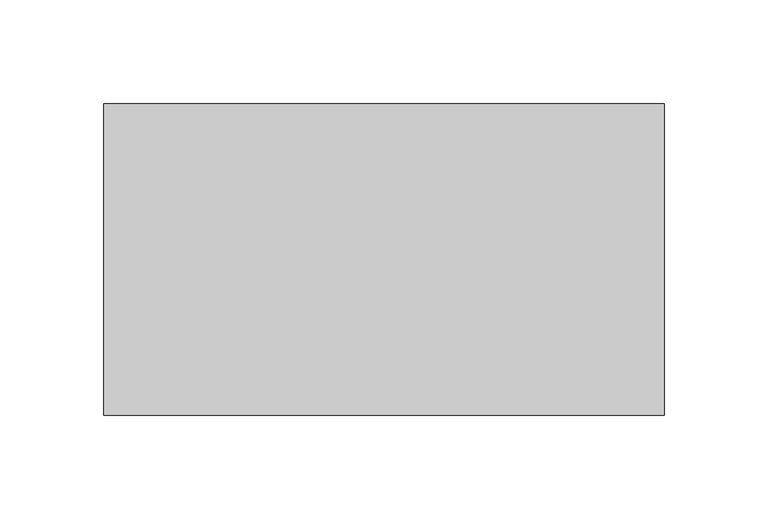
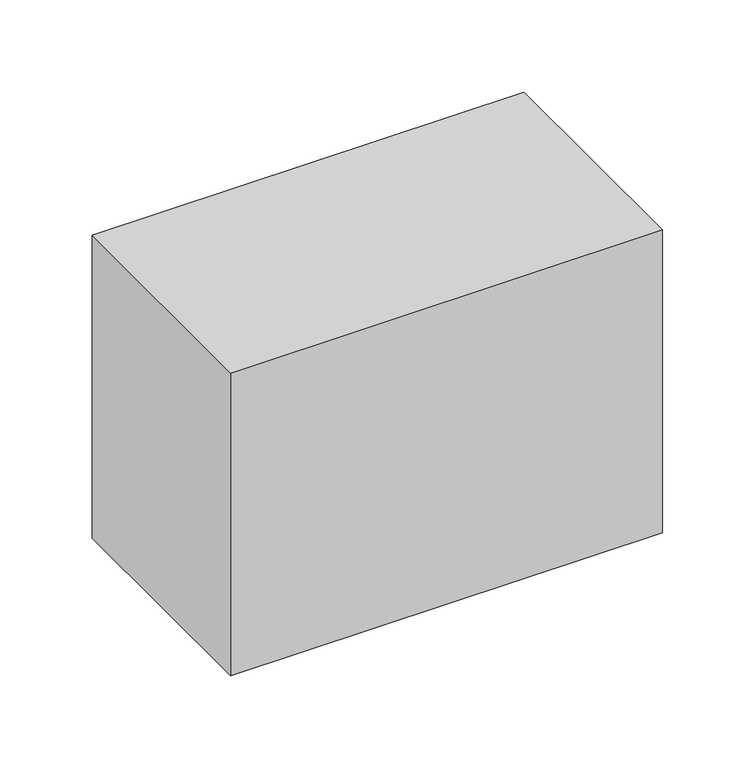
"""IFC4 building model written with IfcOpenShell, lengths in millimetres: proxy geometry."""

from ifc_helpers import new_model, si_unit, frame, origin, place, context, project, spatial, polyline, outline, extrude, source, transform, mapped, element, save


def generic_models_418617a2(model_context):
    return source(origin(), model_context, "Body", "SweptSolid", [
        extrude(outline(polyline([(135.0, 75.0), (135.0, -75.0), (-135.0, -75.0), (-135.0, 75.0), (135.0, 75.0)])), frame((0.0, 0.0, -200.0), z_axis=(0.0, 0.0, 1.0), x_axis=(1.0, 0.0, 0.0)), (0.0, 0.0, 1.0), 200.0),
    ])


if __name__ == "__main__":
    model = new_model("IFC4")
    model_context = context("Model", 3, world=origin())
    ifc_project = project(units=[si_unit("LENGTHUNIT", "METRE", prefix="MILLI")], contexts=[model_context])
    site = spatial("IfcSite", under=ifc_project)
    building = spatial("IfcBuilding", under=site)
    placement = place(None, origin())
    generic_models_shape = generic_models_418617a2(model_context)
    element("IfcBuildingElementProxy", 1, Name="Generic Models", at=placement, inside=building, context=model_context, shape_type="MappedRepresentation", body=[
        mapped(generic_models_shape, transform((0.0, 0.0, 0.0), x_axis=(1.0, 0.0, 0.0), y_axis=(0.0, 1.0, 0.0), z_axis=(0.0, 0.0, 1.0))),
    ])
    save(model, "model.ifc")
